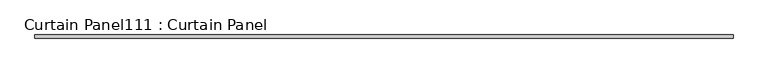
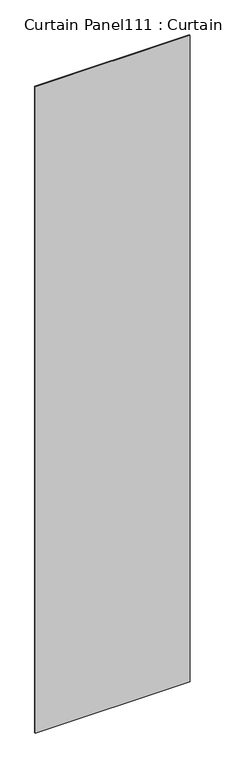
"""IFC4 building model written with IfcOpenShell, lengths in millimetres: plate geometry, Curtain Panel111 : Curtain Panel."""

import ifcopenshell
import ifcopenshell.guid

model = None  # the IFC model being written
_history = None  # IfcOwnerHistory: only IFC2X3 demands one
_inside = {}  # id of a spatial element -> (the spatial element, [elements in it])
_under = {}  # id of a project, library or spatial element -> (it, [spatial elements below it])
_declared = {}  # id of a project -> (the project, [libraries it declares])
_typed = {}  # id of a type object -> (the type object, [elements of that type])
_made_of = {}  # id of a material, layer set ... -> (it, [elements and type objects made of it])


def new_model(schema):
    """Start an empty IFC model of exactly this schema.

    Asked for "IFC4X3", IfcOpenShell would pick the latest addendum, in which some entities
    have other attributes; the version numbers below select the first issue.
    IFC2X3 requires an IfcOwnerHistory on every rooted entity: one is made here for all.
    """
    global model, _history
    if schema == "IFC4X3":
        model = ifcopenshell.file(schema_version=(4, 3, 0, 0))
    else:
        model = ifcopenshell.file(schema=schema)
    _inside.clear()
    _under.clear()
    _declared.clear()
    _typed.clear()
    _made_of.clear()
    _history = None
    if model.schema == "IFC2X3":
        org = make("IfcOrganization", Name="unknown")
        user = make(
            "IfcPersonAndOrganization",
            ThePerson=make("IfcPerson", FamilyName="unknown"),
            TheOrganization=org,
        )
        app = make(
            "IfcApplication",
            ApplicationDeveloper=org,
            Version="unknown",
            ApplicationFullName="unknown",
            ApplicationIdentifier="unknown",
        )
        _history = make(
            "IfcOwnerHistory",
            OwningUser=user,
            OwningApplication=app,
            ChangeAction="ADDED",
            CreationDate=0,
        )
    return model


def make(cls, **values):
    """One entity of the class cls with the attributes given. An attribute that is None is left unset."""
    return model.create_entity(
        cls, **{name: value for name, value in values.items() if value is not None}
    )


def rooted(cls, **values):
    """An entity with a GlobalId (a new one), such as an element, a storey or a relation."""
    return make(cls, GlobalId=ifcopenshell.guid.new(), OwnerHistory=_history, **values)


def si_unit(unit_type, name, prefix=None):
    """IfcSIUnit, for example si_unit("LENGTHUNIT", "METRE", prefix="MILLI")."""
    return make("IfcSIUnit", UnitType=unit_type, Prefix=prefix, Name=name)


def assignment(units):
    """IfcUnitAssignment: the units of a project."""
    return None if units is None else make("IfcUnitAssignment", Units=units)


def point(xyz):
    """IfcCartesianPoint."""
    return None if xyz is None else make("IfcCartesianPoint", Coordinates=xyz)


def direction(xyz):
    """IfcDirection."""
    return None if xyz is None else make("IfcDirection", DirectionRatios=xyz)


def frame(location, z_axis=None, x_axis=None):
    """IfcAxis2Placement3D, a coordinate frame: its origin and axes. An axis left out is left unset."""
    return make(
        "IfcAxis2Placement3D",
        Location=point(location),
        Axis=direction(z_axis),
        RefDirection=direction(x_axis),
    )


def origin():
    """The frame at (0, 0, 0) with its axes left unset."""
    return frame((0.0, 0.0, 0.0))


def place(relative_to, where):
    """IfcLocalPlacement: puts the frame where relative to a parent placement (None: the world)."""
    return make(
        "IfcLocalPlacement", PlacementRelTo=relative_to, RelativePlacement=where
    )


def context(
    kind, dimensions, precision=None, world=None, true_north=None, identifier=None
):
    """IfcGeometricRepresentationContext, for example the 3D "Model" context."""
    return make(
        "IfcGeometricRepresentationContext",
        ContextIdentifier=identifier,
        ContextType=kind,
        CoordinateSpaceDimension=dimensions,
        Precision=precision,
        WorldCoordinateSystem=world,
        TrueNorth=true_north,
    )


def project(units=None, contexts=None):
    """IfcProject with its units and contexts."""
    return rooted(
        "IfcProject",
        Name="project",
        RepresentationContexts=contexts,
        UnitsInContext=assignment(units),
    )


def spatial(cls, under=None, at=None, **own):
    """A site, building, storey or space (cls), placed at a placement, below another one or the project."""
    s = rooted(cls, ObjectPlacement=at, **own)
    if under is not None:
        _under.setdefault(under.id(), (under, []))[1].append(s)
    return s


def polyline(points):
    """IfcPolyline through the points."""
    return make("IfcPolyline", Points=[point(p) for p in points])


def outline(outer, holes=None, kind="AREA"):
    """IfcArbitraryClosedProfileDef: a profile drawn as a closed curve; with holes, ...WithVoids."""
    if holes is None:
        return make("IfcArbitraryClosedProfileDef", ProfileType=kind, OuterCurve=outer)
    return make(
        "IfcArbitraryProfileDefWithVoids",
        ProfileType=kind,
        OuterCurve=outer,
        InnerCurves=holes,
    )


def extrude(swept, where, along, depth):
    """IfcExtrudedAreaSolid: the profile swept, set in the frame where, extruded along a direction by depth."""
    return make(
        "IfcExtrudedAreaSolid",
        SweptArea=swept,
        Position=where,
        ExtrudedDirection=direction(along),
        Depth=depth,
    )


def shape(context_of_items, identifier, shape_type, items):
    """IfcShapeRepresentation: the items that make up one representation, for example the "Body"."""
    return make(
        "IfcShapeRepresentation",
        ContextOfItems=context_of_items,
        RepresentationIdentifier=identifier,
        RepresentationType=shape_type,
        Items=items,
    )


def source(mapping_origin, context_of_items, identifier, shape_type, items):
    """IfcRepresentationMap: a shape defined once, which mapped items show again and again."""
    return make(
        "IfcRepresentationMap",
        MappingOrigin=mapping_origin,
        MappedRepresentation=shape(context_of_items, identifier, shape_type, items),
    )


def transform(
    local_origin,
    x_axis=None,
    y_axis=None,
    z_axis=None,
    scale=None,
    scale2=None,
    scale3=None,
    uniform=True,
):
    """IfcCartesianTransformationOperator3D, or its non-uniform kind. x_axis, y_axis, z_axis: its Axis1, 2, 3."""
    if uniform:
        return make(
            "IfcCartesianTransformationOperator3D",
            Axis1=direction(x_axis),
            Axis2=direction(y_axis),
            LocalOrigin=point(local_origin),
            Scale=scale,
            Axis3=direction(z_axis),
        )
    return make(
        "IfcCartesianTransformationOperator3DnonUniform",
        Axis1=direction(x_axis),
        Axis2=direction(y_axis),
        LocalOrigin=point(local_origin),
        Scale=scale,
        Axis3=direction(z_axis),
        Scale2=scale2,
        Scale3=scale3,
    )


def mapped(mapping_source, mapping_target):
    """IfcMappedItem: shows the shape of a source again, moved by a transform."""
    return make(
        "IfcMappedItem", MappingSource=mapping_source, MappingTarget=mapping_target
    )


def made_of(thing, what):
    """Note that an element or type object is made of a material, layer set ...; save() writes the relation."""
    if what is not None:
        _made_of.setdefault(what.id(), (what, []))[1].append(thing)
    return thing


def element(
    cls,
    number,
    at=None,
    inside=None,
    cuts=None,
    type_object=None,
    material=None,
    context=None,
    identifier="Body",
    shape_type=None,
    held_by="IfcProductDefinitionShape",
    body=None,
    shapes=None,
    **own,
):
    """One element of the class cls, such as IfcWall. Its Tag is "e" and its number.

    at: its placement. inside: the storey or other place that contains it. cuts: it is an
    opening in that element (IfcRelVoidsElement). A single representation is given by context,
    identifier, shape_type and body (its items); several are given by shapes. held_by: the class
    of the entity that holds the representations. save() writes the other relations.
    """
    e = rooted(cls, Tag="e%d" % number, ObjectPlacement=at, **own)
    if body is not None:
        shapes = [shape(context, identifier, shape_type, body)]
    if shapes is not None:
        e.Representation = make(held_by, Representations=shapes)
    if inside is not None:
        _inside.setdefault(inside.id(), (inside, []))[1].append(e)
    if cuts is not None:
        rooted(
            "IfcRelVoidsElement", RelatingBuildingElement=cuts, RelatedOpeningElement=e
        )
    if type_object is not None:
        _typed.setdefault(type_object.id(), (type_object, []))[1].append(e)
    return made_of(e, material)


def aggregate(whole, parts):
    """IfcRelAggregates: a whole, such as a stair, and the parts it consists of."""
    return rooted("IfcRelAggregates", RelatingObject=whole, RelatedObjects=parts)


def save(model, path):
    """Write the relations noted so far, then the file.

    IfcRelAggregates (storeys below a building ...), IfcRelContainedInSpatialStructure (elements
    in a storey), IfcRelDefinesByType, IfcRelAssociatesMaterial and IfcRelDeclares: one each for
    every whole, place, type object, material and project.
    """
    for whole, parts in _under.values():
        aggregate(whole, parts)
    for where, things in _inside.values():
        rooted(
            "IfcRelContainedInSpatialStructure",
            RelatedElements=things,
            RelatingStructure=where,
        )
    for kind, things in _typed.values():
        rooted("IfcRelDefinesByType", RelatedObjects=things, RelatingType=kind)
    for what, things in _made_of.values():
        rooted("IfcRelAssociatesMaterial", RelatedObjects=things, RelatingMaterial=what)
    for by, libraries in _declared.values():
        rooted("IfcRelDeclares", RelatingContext=by, RelatedDefinitions=libraries)
    model.write(path)


def curtain_panel111_curtain_panel_706dbcd5(model_context):
    return source(origin(), model_context, "Body", "SweptSolid", [
        extrude(outline(polyline([(246219.6901593, 2350.9484836), (244817.5386393, 2350.9484836), (244817.5386393, 2357.2984836), (246219.6901593, 2357.2984836), (246219.6901593, 2350.9484836)])), frame((0.0, 0.0, 4914.2249337), z_axis=(0.0, 0.0, 1.0), x_axis=(1.0, 0.0, 0.0)), (0.0, 0.0, 1.0), 6185.9401544),
    ])


if __name__ == "__main__":
    model = new_model("IFC4")
    model_context = context("Model", 3, world=origin())
    ifc_project = project(units=[si_unit("LENGTHUNIT", "METRE", prefix="MILLI")], contexts=[model_context])
    site = spatial("IfcSite", under=ifc_project)
    building = spatial("IfcBuilding", under=site)
    placement = place(None, origin())
    curtain_panel111_curtain_panel_shape = curtain_panel111_curtain_panel_706dbcd5(model_context)
    element("IfcPlate", 1, ObjectType="Curtain Panel111 : Curtain Panel", at=placement, inside=building, context=model_context, shape_type="MappedRepresentation", body=[
        mapped(curtain_panel111_curtain_panel_shape, transform((0.0, 0.0, 0.0), x_axis=(1.0, 0.0, 0.0), y_axis=(0.0, 1.0, 0.0), z_axis=(0.0, 0.0, 1.0))),
    ])
    save(model, "model.ifc")
